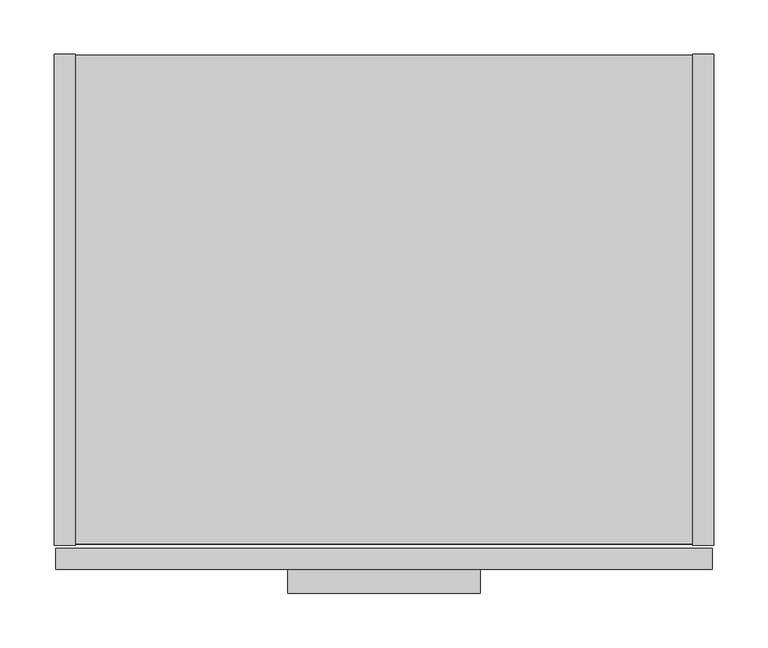
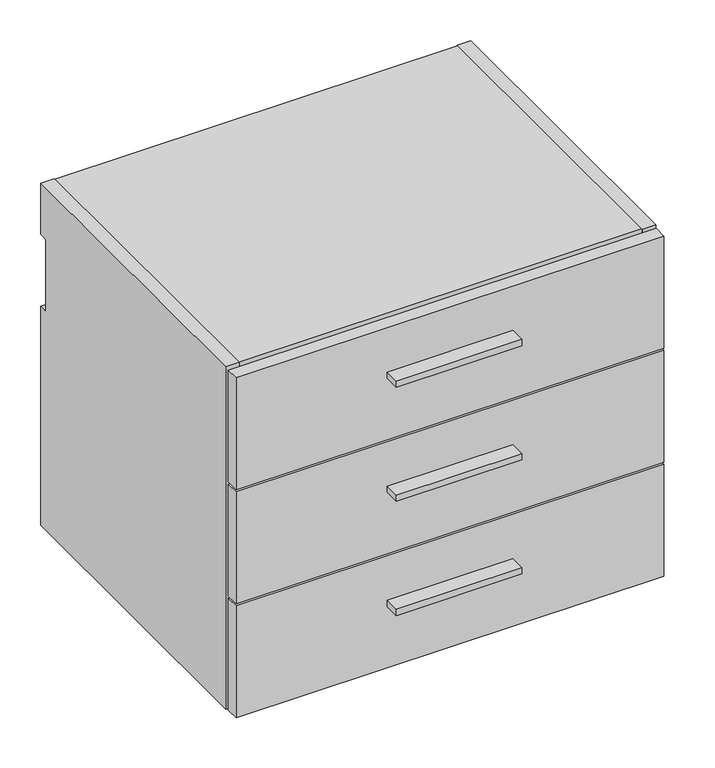
"""IFC4 building model written with IfcOpenShell, lengths in millimetres: furniture geometry."""

from ifc_helpers import new_model, si_unit, point, frame, frame_2d, origin, place, context, project, spatial, polyline, circle_curve, trimmed, segment, composite_curve, outline, extrude, source, transform, mapped, element, save


def furniture_debfd6cd(model_context):
    return source(origin(), model_context, "Body", "SweptSolid", [
        extrude(outline(polyline([(393.7, -498.729), (215.9, -498.729), (215.9, -476.504), (393.7, -476.504), (393.7, -498.729)])), frame((0.0, 0.0, 759.1425), z_axis=(0.0, 0.0, 1.0), x_axis=(1.0, 0.0, 0.0)), (0.0, 0.0, 1.0), 9.525),
        extrude(outline(polyline([(393.7, -498.729), (215.9, -498.729), (215.9, -476.504), (393.7, -476.504), (393.7, -498.729)])), frame((0.0, 0.0, 588.2767), z_axis=(0.0, 0.0, 1.0), x_axis=(1.0, 0.0, 0.0)), (0.0, 0.0, 1.0), 9.525),
        extrude(outline(polyline([(393.7, -498.729), (215.9, -498.729), (215.9, -476.504), (393.7, -476.504), (393.7, -498.729)])), frame((0.0, 0.0, 417.4109), z_axis=(0.0, 0.0, 1.0), x_axis=(1.0, 0.0, 0.0)), (0.0, 0.0, 1.0), 9.525),
        extrude(outline(polyline([(608.0125, -476.504), (1.5875, -476.504), (1.5875, -457.2), (608.0125, -457.2), (608.0125, -476.504)])), frame((0.0, 0.0, 667.3342), z_axis=(0.0, 0.0, 1.0), x_axis=(1.0, 0.0, 0.0)), (0.0, 0.0, 1.0), 167.6908),
        extrude(outline(polyline([(608.0125, -476.504), (1.5875, -476.504), (1.5875, -457.2), (608.0125, -457.2), (608.0125, -476.504)])), frame((0.0, 0.0, 496.4684), z_axis=(0.0, 0.0, 1.0), x_axis=(1.0, 0.0, 0.0)), (0.0, 0.0, 1.0), 167.6908),
        extrude(outline(polyline([(608.0125, -476.504), (1.5875, -476.504), (1.5875, -457.2), (608.0125, -457.2), (608.0125, -476.504)])), frame((0.0, 0.0, 325.6026), z_axis=(0.0, 0.0, 1.0), x_axis=(1.0, 0.0, 0.0)), (0.0, 0.0, 1.0), 167.6908),
        extrude(outline(polyline([(609.6, 0.0), (609.6, -454.025), (590.296, -454.025), (590.296, 0.0), (609.6, 0.0)])), frame((0.0, 0.0, 325.628), z_axis=(0.0, 0.0, 1.0), x_axis=(1.0, 0.0, 0.0)), (0.0, 0.0, 1.0), 512.572),
        extrude(outline(polyline([(590.296, -0.9906), (590.296, -453.0344), (19.304, -453.0344), (19.304, -0.9906), (590.296, -0.9906)])), frame((0.0, 0.0, 326.6186), z_axis=(0.0, 0.0, 1.0), x_axis=(1.0, 0.0, 0.0)), (0.0, 0.0, 1.0), 19.304),
        extrude(outline(composite_curve([segment(polyline([(-32.004, 818.896), (-11.938, 818.896), (-11.938, 760.2988429)]), True, "CONTINUOUS"), segment(trimmed(circle_curve(frame_2d((-9.3963729, 758.1883729)), 3.3036271), [point((-11.938, 760.2988429))], [point((-12.7, 758.1883729))], True, "CARTESIAN"), True, "CONTINUOUS"), segment(polyline([(-12.7, 758.1883729), (-12.7, 656.844)]), True, "CONTINUOUS"), segment(trimmed(circle_curve(frame_2d((-9.398, 656.844)), 3.302), [point((-12.7, 656.844))], [point((-11.938, 654.7341175))], True, "CARTESIAN"), True, "CONTINUOUS"), segment(polyline([(-11.938, 654.7341175), (-11.938, 345.9226), (-32.004, 345.9226), (-32.004, 818.896)]), True, "CONTINUOUS")], self_intersect=False)), frame((19.304, 0.0, 0.0), z_axis=(1.0, 0.0, 0.0), x_axis=(0.0, 1.0, 0.0)), (0.0, 0.0, 1.0), 570.992),
        extrude(outline(composite_curve([segment(polyline([(-454.025, 838.2), (0.0, 838.2), (0.0, 761.492), (-9.3963729, 761.492)]), True, "CONTINUOUS"), segment(trimmed(circle_curve(frame_2d((-9.3963729, 758.1883729)), 3.3036271), [point((-9.3963729, 761.492))], [point((-12.7, 758.1883729))], True, "CARTESIAN"), True, "CONTINUOUS"), segment(polyline([(-12.7, 758.1883729), (-12.7, 656.844)]), True, "CONTINUOUS"), segment(trimmed(circle_curve(frame_2d((-9.398, 656.844)), 3.302), [point((-12.7, 656.844))], [point((-9.398, 653.542))], True, "CARTESIAN"), True, "CONTINUOUS"), segment(polyline([(-9.398, 653.542), (0.0, 653.542), (0.0, 325.628), (-454.025, 325.628), (-454.025, 838.2)]), True, "CONTINUOUS")], self_intersect=False)), frame((0.0, 0.0, 0.0), z_axis=(1.0, 0.0, 0.0), x_axis=(0.0, 1.0, 0.0)), (0.0, 0.0, 1.0), 19.304),
        extrude(outline(polyline([(590.296, -453.0344), (19.304, -453.0344), (19.304, -0.9906), (590.296, -0.9906), (590.296, -453.0344)])), frame((0.0, 0.0, 818.896), z_axis=(0.0, 0.0, 1.0), x_axis=(1.0, 0.0, 0.0)), (0.0, 0.0, 1.0), 19.304),
    ])


if __name__ == "__main__":
    model = new_model("IFC4")
    model_context = context("Model", 3, world=origin())
    ifc_project = project(units=[si_unit("LENGTHUNIT", "METRE", prefix="MILLI")], contexts=[model_context])
    site = spatial("IfcSite", under=ifc_project)
    building = spatial("IfcBuilding", under=site)
    placement = place(None, origin())
    furniture_shape = furniture_debfd6cd(model_context)
    element("IfcFurniture", 1, at=placement, inside=building, context=model_context, shape_type="MappedRepresentation", body=[
        mapped(furniture_shape, transform((0.0, 0.0, 0.0), x_axis=(1.0, 0.0, 0.0), y_axis=(0.0, 1.0, 0.0), z_axis=(0.0, 0.0, 1.0))),
    ])
    save(model, "model.ifc")
